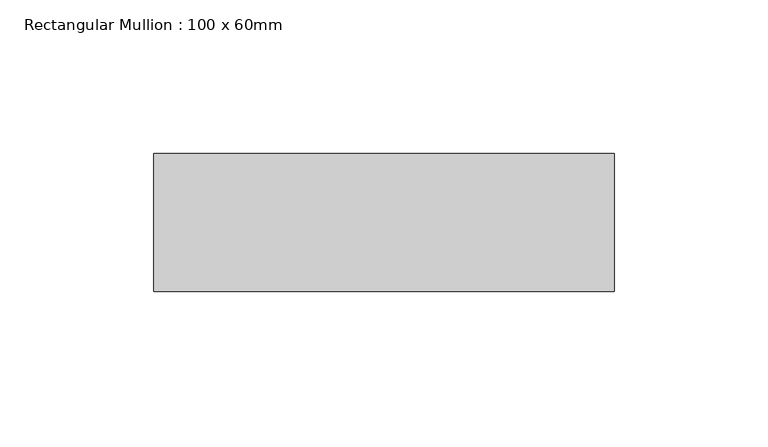
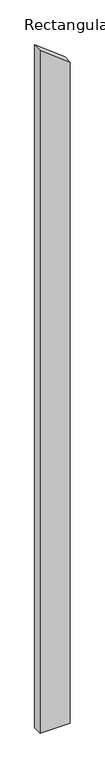
"""IFC4 building model written with IfcOpenShell, lengths in millimetres: member geometry, Rectangular Mullion : 100 x 60mm."""

import ifcopenshell
import ifcopenshell.guid

model = None  # the IFC model being written
_history = None  # IfcOwnerHistory: only IFC2X3 demands one
_inside = {}  # id of a spatial element -> (the spatial element, [elements in it])
_under = {}  # id of a project, library or spatial element -> (it, [spatial elements below it])
_declared = {}  # id of a project -> (the project, [libraries it declares])
_typed = {}  # id of a type object -> (the type object, [elements of that type])
_made_of = {}  # id of a material, layer set ... -> (it, [elements and type objects made of it])


def new_model(schema):
    """Start an empty IFC model of exactly this schema.

    Asked for "IFC4X3", IfcOpenShell would pick the latest addendum, in which some entities
    have other attributes; the version numbers below select the first issue.
    IFC2X3 requires an IfcOwnerHistory on every rooted entity: one is made here for all.
    """
    global model, _history
    if schema == "IFC4X3":
        model = ifcopenshell.file(schema_version=(4, 3, 0, 0))
    else:
        model = ifcopenshell.file(schema=schema)
    _inside.clear()
    _under.clear()
    _declared.clear()
    _typed.clear()
    _made_of.clear()
    _history = None
    if model.schema == "IFC2X3":
        org = make("IfcOrganization", Name="unknown")
        user = make(
            "IfcPersonAndOrganization",
            ThePerson=make("IfcPerson", FamilyName="unknown"),
            TheOrganization=org,
        )
        app = make(
            "IfcApplication",
            ApplicationDeveloper=org,
            Version="unknown",
            ApplicationFullName="unknown",
            ApplicationIdentifier="unknown",
        )
        _history = make(
            "IfcOwnerHistory",
            OwningUser=user,
            OwningApplication=app,
            ChangeAction="ADDED",
            CreationDate=0,
        )
    return model


def make(cls, **values):
    """One entity of the class cls with the attributes given. An attribute that is None is left unset."""
    return model.create_entity(
        cls, **{name: value for name, value in values.items() if value is not None}
    )


def rooted(cls, **values):
    """An entity with a GlobalId (a new one), such as an element, a storey or a relation."""
    return make(cls, GlobalId=ifcopenshell.guid.new(), OwnerHistory=_history, **values)


def si_unit(unit_type, name, prefix=None):
    """IfcSIUnit, for example si_unit("LENGTHUNIT", "METRE", prefix="MILLI")."""
    return make("IfcSIUnit", UnitType=unit_type, Prefix=prefix, Name=name)


def assignment(units):
    """IfcUnitAssignment: the units of a project."""
    return None if units is None else make("IfcUnitAssignment", Units=units)


def point(xyz):
    """IfcCartesianPoint."""
    return None if xyz is None else make("IfcCartesianPoint", Coordinates=xyz)


def direction(xyz):
    """IfcDirection."""
    return None if xyz is None else make("IfcDirection", DirectionRatios=xyz)


def frame(location, z_axis=None, x_axis=None):
    """IfcAxis2Placement3D, a coordinate frame: its origin and axes. An axis left out is left unset."""
    return make(
        "IfcAxis2Placement3D",
        Location=point(location),
        Axis=direction(z_axis),
        RefDirection=direction(x_axis),
    )


def origin():
    """The frame at (0, 0, 0) with its axes left unset."""
    return frame((0.0, 0.0, 0.0))


def place(relative_to, where):
    """IfcLocalPlacement: puts the frame where relative to a parent placement (None: the world)."""
    return make(
        "IfcLocalPlacement", PlacementRelTo=relative_to, RelativePlacement=where
    )


def context(
    kind, dimensions, precision=None, world=None, true_north=None, identifier=None
):
    """IfcGeometricRepresentationContext, for example the 3D "Model" context."""
    return make(
        "IfcGeometricRepresentationContext",
        ContextIdentifier=identifier,
        ContextType=kind,
        CoordinateSpaceDimension=dimensions,
        Precision=precision,
        WorldCoordinateSystem=world,
        TrueNorth=true_north,
    )


def project(units=None, contexts=None):
    """IfcProject with its units and contexts."""
    return rooted(
        "IfcProject",
        Name="project",
        RepresentationContexts=contexts,
        UnitsInContext=assignment(units),
    )


def spatial(cls, under=None, at=None, **own):
    """A site, building, storey or space (cls), placed at a placement, below another one or the project."""
    s = rooted(cls, ObjectPlacement=at, **own)
    if under is not None:
        _under.setdefault(under.id(), (under, []))[1].append(s)
    return s


def polyline(points):
    """IfcPolyline through the points."""
    return make("IfcPolyline", Points=[point(p) for p in points])


def outline(outer, holes=None, kind="AREA"):
    """IfcArbitraryClosedProfileDef: a profile drawn as a closed curve; with holes, ...WithVoids."""
    if holes is None:
        return make("IfcArbitraryClosedProfileDef", ProfileType=kind, OuterCurve=outer)
    return make(
        "IfcArbitraryProfileDefWithVoids",
        ProfileType=kind,
        OuterCurve=outer,
        InnerCurves=holes,
    )


def extrude(swept, where, along, depth):
    """IfcExtrudedAreaSolid: the profile swept, set in the frame where, extruded along a direction by depth."""
    return make(
        "IfcExtrudedAreaSolid",
        SweptArea=swept,
        Position=where,
        ExtrudedDirection=direction(along),
        Depth=depth,
    )


def shape(context_of_items, identifier, shape_type, items):
    """IfcShapeRepresentation: the items that make up one representation, for example the "Body"."""
    return make(
        "IfcShapeRepresentation",
        ContextOfItems=context_of_items,
        RepresentationIdentifier=identifier,
        RepresentationType=shape_type,
        Items=items,
    )


def source(mapping_origin, context_of_items, identifier, shape_type, items):
    """IfcRepresentationMap: a shape defined once, which mapped items show again and again."""
    return make(
        "IfcRepresentationMap",
        MappingOrigin=mapping_origin,
        MappedRepresentation=shape(context_of_items, identifier, shape_type, items),
    )


def transform(
    local_origin,
    x_axis=None,
    y_axis=None,
    z_axis=None,
    scale=None,
    scale2=None,
    scale3=None,
    uniform=True,
):
    """IfcCartesianTransformationOperator3D, or its non-uniform kind. x_axis, y_axis, z_axis: its Axis1, 2, 3."""
    if uniform:
        return make(
            "IfcCartesianTransformationOperator3D",
            Axis1=direction(x_axis),
            Axis2=direction(y_axis),
            LocalOrigin=point(local_origin),
            Scale=scale,
            Axis3=direction(z_axis),
        )
    return make(
        "IfcCartesianTransformationOperator3DnonUniform",
        Axis1=direction(x_axis),
        Axis2=direction(y_axis),
        LocalOrigin=point(local_origin),
        Scale=scale,
        Axis3=direction(z_axis),
        Scale2=scale2,
        Scale3=scale3,
    )


def mapped(mapping_source, mapping_target):
    """IfcMappedItem: shows the shape of a source again, moved by a transform."""
    return make(
        "IfcMappedItem", MappingSource=mapping_source, MappingTarget=mapping_target
    )


def made_of(thing, what):
    """Note that an element or type object is made of a material, layer set ...; save() writes the relation."""
    if what is not None:
        _made_of.setdefault(what.id(), (what, []))[1].append(thing)
    return thing


def element(
    cls,
    number,
    at=None,
    inside=None,
    cuts=None,
    type_object=None,
    material=None,
    context=None,
    identifier="Body",
    shape_type=None,
    held_by="IfcProductDefinitionShape",
    body=None,
    shapes=None,
    **own,
):
    """One element of the class cls, such as IfcWall. Its Tag is "e" and its number.

    at: its placement. inside: the storey or other place that contains it. cuts: it is an
    opening in that element (IfcRelVoidsElement). A single representation is given by context,
    identifier, shape_type and body (its items); several are given by shapes. held_by: the class
    of the entity that holds the representations. save() writes the other relations.
    """
    e = rooted(cls, Tag="e%d" % number, ObjectPlacement=at, **own)
    if body is not None:
        shapes = [shape(context, identifier, shape_type, body)]
    if shapes is not None:
        e.Representation = make(held_by, Representations=shapes)
    if inside is not None:
        _inside.setdefault(inside.id(), (inside, []))[1].append(e)
    if cuts is not None:
        rooted(
            "IfcRelVoidsElement", RelatingBuildingElement=cuts, RelatedOpeningElement=e
        )
    if type_object is not None:
        _typed.setdefault(type_object.id(), (type_object, []))[1].append(e)
    return made_of(e, material)


def aggregate(whole, parts):
    """IfcRelAggregates: a whole, such as a stair, and the parts it consists of."""
    return rooted("IfcRelAggregates", RelatingObject=whole, RelatedObjects=parts)


def save(model, path):
    """Write the relations noted so far, then the file.

    IfcRelAggregates (storeys below a building ...), IfcRelContainedInSpatialStructure (elements
    in a storey), IfcRelDefinesByType, IfcRelAssociatesMaterial and IfcRelDeclares: one each for
    every whole, place, type object, material and project.
    """
    for whole, parts in _under.values():
        aggregate(whole, parts)
    for where, things in _inside.values():
        rooted(
            "IfcRelContainedInSpatialStructure",
            RelatedElements=things,
            RelatingStructure=where,
        )
    for kind, things in _typed.values():
        rooted("IfcRelDefinesByType", RelatedObjects=things, RelatingType=kind)
    for what, things in _made_of.values():
        rooted("IfcRelAssociatesMaterial", RelatedObjects=things, RelatingMaterial=what)
    for by, libraries in _declared.values():
        rooted("IfcRelDeclares", RelatingContext=by, RelatedDefinitions=libraries)
    model.write(path)


def rectangular_mullion_100_x_60mm_d2a9cc66(model_context):
    return source(origin(), model_context, "Body", "SweptSolid", [
        extrude(outline(polyline([(-186.9590466, 75.0), (-71.8599985, -75.0), (-3648.3766711, -75.0), (-3648.3766711, 75.0), (-186.9590466, 75.0)])), frame((0.0, -30.0, 0.0), z_axis=(0.0, 1.0, 0.0), x_axis=(0.0, 0.0, 1.0)), (0.0, 0.0, 1.0), 45.0),
    ])


if __name__ == "__main__":
    model = new_model("IFC4")
    model_context = context("Model", 3, world=origin())
    ifc_project = project(units=[si_unit("LENGTHUNIT", "METRE", prefix="MILLI")], contexts=[model_context])
    site = spatial("IfcSite", under=ifc_project)
    building = spatial("IfcBuilding", under=site)
    placement = place(None, origin())
    rectangular_mullion_100_x_60mm_shape = rectangular_mullion_100_x_60mm_d2a9cc66(model_context)
    element("IfcMember", 1, ObjectType="Rectangular Mullion : 100 x 60mm", at=placement, inside=building, context=model_context, shape_type="MappedRepresentation", body=[
        mapped(rectangular_mullion_100_x_60mm_shape, transform((0.0, 0.0, 0.0), x_axis=(1.0, 0.0, 0.0), y_axis=(0.0, 1.0, 0.0), z_axis=(0.0, 0.0, 1.0))),
    ])
    save(model, "model.ifc")
